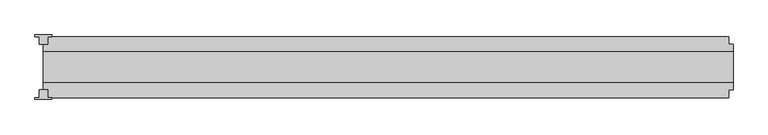
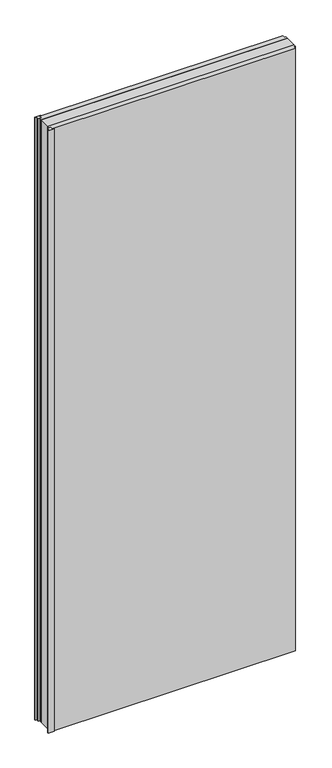
"""IFC4 building model written with IfcOpenShell, lengths in millimetres: plate geometry."""

from ifc_helpers import new_model, si_unit, origin, origin_with_axes, place, context, project, spatial, polyline, outline, extrude, source, transform, mapped, element, save


def plate_447250fd(model_context):
    return source(origin(), model_context, "Body", "SweptSolid", [
        extrude(outline(polyline([(-552.5000002, 53.0), (-552.5000002, 50.0), (-559.5000002, 50.0), (-559.5000002, 37.5), (-573.5000002, 37.5), (-573.5000002, 50.0), (-580.5000002, 50.0), (-580.5000002, 53.0), (-552.5000002, 53.0)])), origin_with_axes(), (0.0, 0.0, 1.0), 2930.0),
        extrude(outline(polyline([(-552.5000002, -53.0), (-580.5000002, -53.0), (-580.5000002, -50.0), (-573.5000002, -50.0), (-573.5000002, -37.5), (-559.5000002, -37.5), (-559.5000002, -50.0), (-552.5000002, -50.0), (-552.5000002, -53.0)])), origin_with_axes(), (0.0, 0.0, 1.0), 2930.0),
        extrude(outline(polyline([(566.5000002, -25.0), (-566.5000002, -25.0), (-566.5000002, 25.0), (566.5000002, 25.0), (566.5000002, -25.0)])), origin_with_axes(), (0.0, 0.0, 1.0), 2930.0),
        extrude(outline(polyline([(566.5000002, -25.0), (566.5000002, -37.5), (559.5000002, -37.5), (559.5000002, -50.0), (-559.5000002, -50.0), (-559.5000002, -37.5), (-566.5000002, -37.5), (-566.5000002, -25.0), (566.5000002, -25.0)])), origin_with_axes(), (0.0, 0.0, 1.0), 2930.0),
        extrude(outline(polyline([(-566.5000002, 25.0), (-566.5000002, 37.5), (-559.5000002, 37.5), (-559.5000002, 50.0), (559.5000002, 50.0), (559.5000002, 37.5), (566.5000002, 37.5), (566.5000002, 25.0), (-566.5000002, 25.0)])), origin_with_axes(), (0.0, 0.0, 1.0), 2930.0),
    ])


if __name__ == "__main__":
    model = new_model("IFC4")
    model_context = context("Model", 3, world=origin())
    ifc_project = project(units=[si_unit("LENGTHUNIT", "METRE", prefix="MILLI")], contexts=[model_context])
    site = spatial("IfcSite", under=ifc_project)
    building = spatial("IfcBuilding", under=site)
    placement = place(None, origin())
    plate_shape = plate_447250fd(model_context)
    element("IfcPlate", 1, at=placement, inside=building, context=model_context, shape_type="MappedRepresentation", body=[
        mapped(plate_shape, transform((0.0, 0.0, 0.0), x_axis=(1.0, 0.0, 0.0), y_axis=(0.0, 1.0, 0.0), z_axis=(0.0, 0.0, 1.0))),
    ])
    save(model, "model.ifc")
